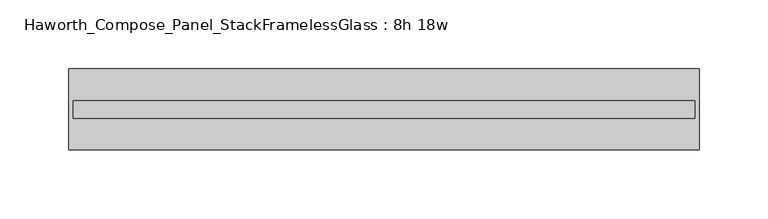
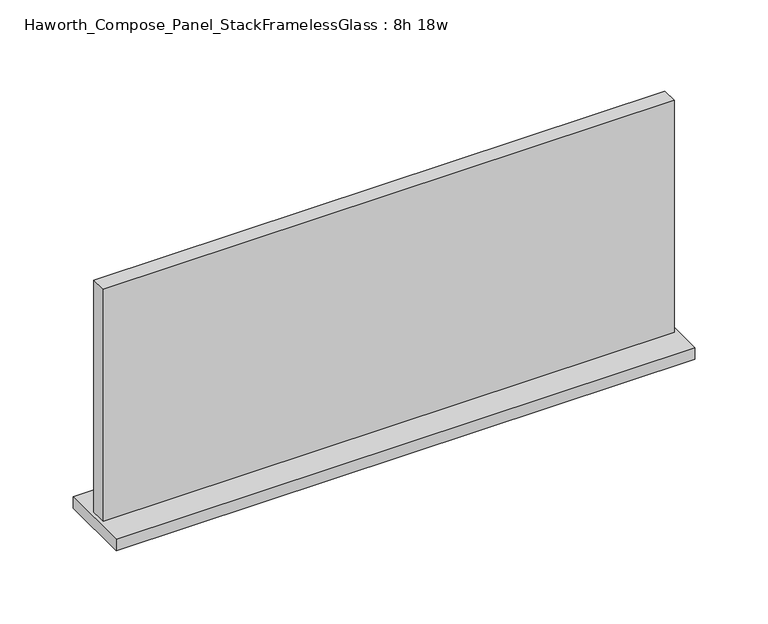
"""IFC4 building model written with IfcOpenShell, lengths in millimetres: furniture geometry, Haworth_Compose_Panel_StackFramelessGlass : 8h 18w."""

from ifc_helpers import new_model, si_unit, frame, origin, place, context, project, spatial, polyline, outline, extrude, source, transform, mapped, element, save


def haworth_compose_panel_stackframelessglass_8h_18w_961c6856(model_context):
    return source(origin(), model_context, "Body", "SweptSolid", [
        extrude(outline(polyline([(227.8652902, -27.3093594), (-222.9847098, -27.3093594), (-222.9847098, -14.6093594), (227.8652902, -14.6093594), (227.8652902, -27.3093594)])), frame((0.0, 0.0, 1279.525), z_axis=(0.0, 0.0, 1.0), x_axis=(1.0, 0.0, 0.0)), (0.0, 0.0, 1.0), 193.675),
        extrude(outline(polyline([(-226.1597098, -50.3281094), (-226.1597098, 8.4093906), (231.0402902, 8.4093906), (231.0402902, -50.3281094), (-226.1597098, -50.3281094)])), frame((0.0, 0.0, 1270.0), z_axis=(0.0, 0.0, 1.0), x_axis=(1.0, 0.0, 0.0)), (0.0, 0.0, 1.0), 9.525),
    ])


if __name__ == "__main__":
    model = new_model("IFC4")
    model_context = context("Model", 3, world=origin())
    ifc_project = project(units=[si_unit("LENGTHUNIT", "METRE", prefix="MILLI")], contexts=[model_context])
    site = spatial("IfcSite", under=ifc_project)
    building = spatial("IfcBuilding", under=site)
    placement = place(None, origin())
    haworth_compose_panel_stackframelessglass_8h_18w_shape = haworth_compose_panel_stackframelessglass_8h_18w_961c6856(model_context)
    element("IfcFurniture", 1, ObjectType="Haworth_Compose_Panel_StackFramelessGlass : 8h 18w", at=placement, inside=building, context=model_context, shape_type="MappedRepresentation", body=[
        mapped(haworth_compose_panel_stackframelessglass_8h_18w_shape, transform((0.0, 0.0, 0.0), x_axis=(1.0, 0.0, 0.0), y_axis=(0.0, 1.0, 0.0), z_axis=(0.0, 0.0, 1.0))),
    ])
    save(model, "model.ifc")
